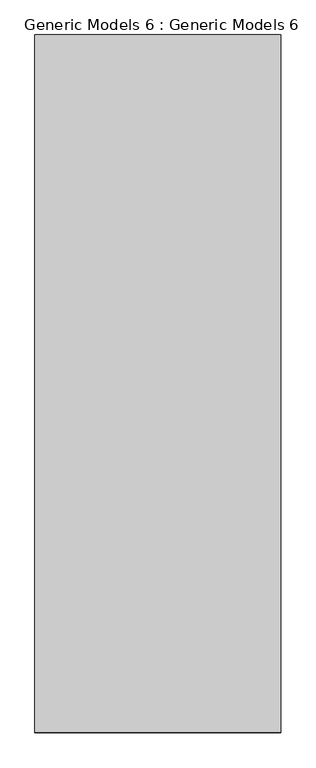
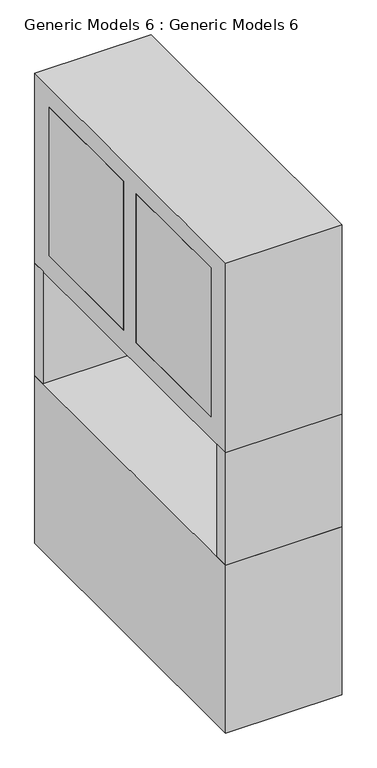
"""IFC4 building model written with IfcOpenShell, lengths in millimetres: proxy geometry, Generic Models 6 : Generic Models 6."""

from ifc_helpers import new_model, si_unit, frame, origin, place, context, project, spatial, polyline, outline, extrude, faceted_brep, source, transform, mapped, element, save


def generic_models_6_generic_models_6_a4345323(model_context):
    return source(origin(), model_context, "Body", "SolidModel", [
        extrude(outline(polyline([(-635.9867243, 2419.9056759), (-635.9867243, 2478.504097), (-155.6153689, 2478.504097), (-155.6153689, 2419.9056759), (-635.9867243, 2419.9056759)])), frame((0.0, 0.0, 732.1442995), z_axis=(0.0, 0.0, 1.0), x_axis=(1.0, 0.0, 0.0)), (0.0, 0.0, 1.0), 490.2307005),
        extrude(outline(polyline([(-635.9867243, 1113.9113324), (-635.9867243, 1175.3056759), (-155.6153689, 1175.3056759), (-155.6153689, 1113.9113324), (-635.9867243, 1113.9113324)])), frame((0.0, 0.0, 732.1442995), z_axis=(0.0, 0.0, 1.0), x_axis=(1.0, 0.0, 0.0)), (0.0, 0.0, 1.0), 490.2307005),
        extrude(outline(polyline([(-196.7143166, 1175.3056759), (-196.7143166, 2419.9056759), (-155.6153689, 2419.9056759), (-155.6153689, 1175.3056759), (-196.7143166, 1175.3056759)])), frame((0.0, 0.0, 732.1442995), z_axis=(0.0, 0.0, 1.0), x_axis=(1.0, 0.0, 0.0)), (0.0, 0.0, 1.0), 490.2307005),
        extrude(outline(polyline([(-635.9867243, 1842.3692319), (-635.9867243, 2375.7692319), (-602.1499669, 2375.7692319), (-602.1499669, 1842.3692319), (-635.9867243, 1842.3692319)])), frame((0.0, 0.0, 1315.8502773), z_axis=(0.0, 0.0, 1.0), x_axis=(1.0, 0.0, 0.0)), (0.0, 0.0, 1.0), 649.261009),
        extrude(outline(polyline([(-635.9867243, 1219.4421198), (-635.9867243, 1752.8421198), (-602.1499669, 1752.8421198), (-602.1499669, 1219.4421198), (-635.9867243, 1219.4421198)])), frame((0.0, 0.0, 1315.8502773), z_axis=(0.0, 0.0, 1.0), x_axis=(1.0, 0.0, 0.0)), (0.0, 0.0, 1.0), 649.261009),
        faceted_brep([(-635.9867243, 1113.9113324, 2049.4639233), (-155.6153689, 1113.9113324, 2049.4639233), (-155.6153689, 2478.504097, 2049.4639233), (-635.9867243, 2478.504097, 2049.4639233), (-635.9867243, 2478.504097, 1222.375), (-635.9867243, 1113.9113324, 1222.375), (-635.9867243, 2375.7692319, 1965.1112863), (-635.9867243, 1842.3692319, 1965.1112863), (-635.9867243, 1842.3692319, 1315.8502773), (-635.9867243, 2375.7692319, 1315.8502773), (-635.9867243, 1752.8421198, 1315.8502773), (-635.9867243, 1752.8421198, 1965.1112863), (-635.9867243, 1219.4421198, 1965.1112863), (-635.9867243, 1219.4421198, 1315.8502773), (-155.6153689, 1113.9113324, 1222.375), (-155.6153689, 2478.504097, 1222.375), (-174.6653689, 2375.7692319, 1965.1112863), (-174.6653689, 2375.7692319, 1315.8502773), (-174.6653689, 1842.3692319, 1315.8502773), (-174.6653689, 1842.3692319, 1965.1112863), (-174.6653689, 1752.8421198, 1315.8502773), (-174.6653689, 1219.4421198, 1315.8502773), (-174.6653689, 1219.4421198, 1965.1112863), (-174.6653689, 1752.8421198, 1965.1112863)], [[[0, 1, 2, 3]], [[0, 3, 4, 5], [6, 7, 8, 9], [10, 11, 12, 13]], [[1, 0, 5, 14]], [[2, 1, 14, 15]], [[5, 4, 15, 14]], [[16, 17, 18, 19]], [[20, 21, 22, 23]], [[16, 19, 7, 6]], [[19, 18, 8, 7]], [[18, 17, 9, 8]], [[17, 16, 6, 9]], [[20, 23, 11, 10]], [[23, 22, 12, 11]], [[22, 21, 13, 12]], [[21, 20, 10, 13]], [[3, 2, 15, 4]]]),
        faceted_brep([(-635.9867243, 1113.9113324, 0.0), (-635.9867243, 2478.504097, 0.0), (-155.6153689, 2478.504097, 0.0), (-155.6153689, 1113.9113324, 0.0), (-635.9867243, 1113.9113324, 732.1442995), (-635.9867243, 2478.504097, 732.1442995), (-155.6153689, 1113.9113324, 732.1442995), (-155.6153689, 2478.504097, 732.1442995)], [[[0, 1, 2, 3]], [[1, 0, 4, 5]], [[0, 3, 6, 4]], [[3, 2, 7, 6]], [[5, 4, 6, 7]], [[2, 1, 5, 7]]]),
    ])


if __name__ == "__main__":
    model = new_model("IFC4")
    model_context = context("Model", 3, world=origin())
    ifc_project = project(units=[si_unit("LENGTHUNIT", "METRE", prefix="MILLI")], contexts=[model_context])
    site = spatial("IfcSite", under=ifc_project)
    building = spatial("IfcBuilding", under=site)
    placement = place(None, origin())
    generic_models_6_generic_models_6_shape = generic_models_6_generic_models_6_a4345323(model_context)
    element("IfcBuildingElementProxy", 1, Name="Generic Models 6 : Generic Models 6", ObjectType="Generic Models 6 : Generic Models 6", at=placement, inside=building, context=model_context, shape_type="MappedRepresentation", body=[
        mapped(generic_models_6_generic_models_6_shape, transform((0.0, 0.0, 0.0), x_axis=(1.0, 0.0, 0.0), y_axis=(0.0, 1.0, 0.0), z_axis=(0.0, 0.0, 1.0))),
    ])
    save(model, "model.ifc")
